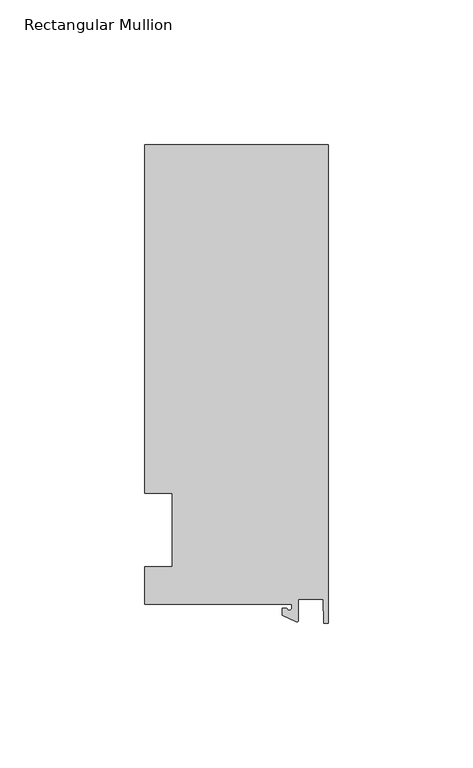
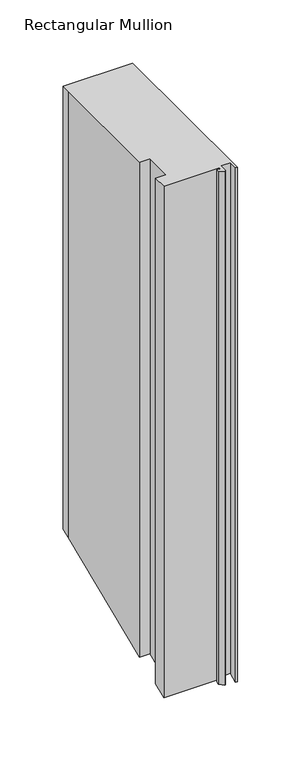
"""IFC4 building model written with IfcOpenShell, lengths in millimetres: member geometry, Rectangular Mullion."""

from ifc_helpers import new_model, si_unit, frame, origin, place, context, project, spatial, polyline, circle_curve, ellipse_curve, source, transform, mapped, element, save
from ifc_brep_helpers import plane_surface, cylinder_surface, revolved_surface, advanced_brep


def rectangular_mullion_d342a767(model_context):
    return source(origin(), model_context, "Body", "AdvancedBrep", [
        advanced_brep(
        [(-12.6173814, -25.796875, 0.0), (-12.6173814, -27.0827507, 0.0), (-14.2048814, -27.0827507, 0.0), (-15.7923814, -27.0827507, 0.0), (-15.7923814, -29.44495, 0.0), (-10.9524715, -31.7018371, 0.0), (-10.2297814, -31.2414327, 0.0), (-10.2297814, -23.9227662, 0.0), (-1.7144124, -23.9227662, 0.0), (-1.5658966, -32.288874, 0.0), (0.0, -32.288874, 0.0), (0.0, 133.34365, 0.0), (-63.5, 133.34365, 0.0), (-63.5, 125.8114907, 0.0), (-63.5, 12.7, 0.0), (-53.975, 12.7, 0.0), (-53.975, -12.7, 0.0), (-63.5, -12.7, 0.0), (-63.5, -25.796875, 0.0), (-12.6173814, -25.796875, -493.2854155), (-12.6173814, -27.0827507, -493.8180426), (-14.2048814, -27.0827507, -493.8180426), (-15.7923814, -27.0827507, -493.8180426), (-15.7923814, -29.44495, -494.7964976), (-10.9524715, -31.7018371, -495.7313309), (-10.2297814, -31.2414327, -495.5406251), (-10.2297814, -23.9227662, -492.5091342), (-1.7144124, -23.9227662, -492.5091342), (-1.5658966, -32.288874, -495.9744895), (0.0, -32.288874, -495.9744895), (0.0, 133.34365, -427.3672517), (-63.5, 133.34365, -427.3672517), (-63.5, 125.8114907, -430.4871743), (-63.5, 12.7, -477.3394878), (-53.975, 12.7, -477.3394878), (-53.975, -12.7, -487.8605122), (-63.5, -12.7, -487.8605122), (-63.5, -25.796875, -493.2854155)],
        [
            (0, 1),
            (1, 2, circle_curve(frame((-13.4111314, -27.0827507, 0.0), z_axis=(0.0, 0.0, -1.0), x_axis=(-1.0, 0.0, 0.0)), 0.79375)),
            (2, 3),
            (3, 4),
            (4, 5),
            (5, 6, circle_curve(frame((-10.7377814, -31.2414327, 0.0), z_axis=(0.0, 0.0, 1.0), x_axis=(-1.0, 0.0, 0.0)), 0.508)),
            (6, 7),
            (7, 8),
            (8, 9),
            (9, 10),
            (10, 11),
            (11, 12),
            (12, 13),
            (13, 14),
            (14, 15),
            (15, 16),
            (16, 17),
            (17, 18),
            (18, 0),
            (0, 19),
            (19, 20),
            (20, 1),
            (20, 21, ellipse_curve(frame((-13.4111314, -27.0827507, -493.8180426), z_axis=(0.0, 0.38268343236508895, -0.9238795325112871), x_axis=(0.0, -0.923879532511287, -0.3826834323650889)), 0.8591488, 0.79375)),
            (21, 2),
            (21, 22),
            (22, 3),
            (22, 23),
            (23, 4),
            (23, 24),
            (24, 5),
            (24, 25, ellipse_curve(frame((-10.7377814, -31.2414327, -495.5406251), z_axis=(0.0, -0.38268343236508895, 0.9238795325112871), x_axis=(0.0, 0.923879532511287, 0.3826834323650889)), 0.5498552, 0.508)),
            (25, 6),
            (25, 26),
            (26, 7),
            (26, 27),
            (27, 8),
            (27, 28),
            (28, 9),
            (28, 29),
            (29, 10),
            (29, 30),
            (30, 11),
            (30, 31),
            (31, 12),
            (31, 32),
            (32, 13),
            (32, 33),
            (33, 14),
            (33, 34),
            (34, 15),
            (34, 35),
            (35, 16),
            (35, 36),
            (36, 17),
            (36, 37),
            (37, 18),
            (37, 19),
        ],
        [
            plane_surface(frame((0.0, -147.6914994, 0.0), z_axis=(0.0, 0.0, 1.0), x_axis=(-1.0, 0.0, 0.0))),
            plane_surface(frame((-12.6173814, -25.796875, 0.0), z_axis=(-1.0, 0.0, 0.0), x_axis=(0.0, 0.0, -1.0))),
            revolved_surface(polyline([(-14.2048814, -27.0827507, -494.14682461169633), (-14.2048814, -27.0827507, 0.0)]), (-13.4111314, -27.0827507, 0.0), (0.0, 0.0, -1.0)),
            plane_surface(frame((-14.2048814, -27.0827507, 0.0), z_axis=(0.0, 1.0, 0.0), x_axis=(0.0, 0.0, -1.0))),
            plane_surface(frame((-15.7923814, -27.0827507, 0.0), z_axis=(-1.0, 0.0, 0.0), x_axis=(0.0, 0.0, -1.0))),
            plane_surface(frame((-15.7923814, -29.44495, 0.0), z_axis=(-0.4226182617406985, -0.9063077870366505, 0.0), x_axis=(0.0, 0.0, -1.0))),
            cylinder_surface(frame((-10.7377814, -31.2414327, 0.0), z_axis=(0.0, 0.0, 1.0), x_axis=(-1.0, 0.0, 0.0)), 0.508),
            plane_surface(frame((-10.2297814, -31.2414327, 0.0), z_axis=(1.0, 0.0, 0.0), x_axis=(0.0, 0.0, -1.0))),
            plane_surface(frame((-10.2297814, -23.9227662, 0.0), z_axis=(0.0, -1.0, 0.0), x_axis=(0.0, 0.0, -1.0))),
            plane_surface(frame((-1.7144124, -23.9227662, 0.0), z_axis=(-0.9998424690407919, -0.017749284560600327, 0.0), x_axis=(0.0, 0.0, -1.0))),
            plane_surface(frame((-1.5658966, -32.288874, 0.0), z_axis=(0.0, -1.0, 0.0), x_axis=(0.0, 0.0, -1.0))),
            plane_surface(frame((0.0, -32.288874, 0.0), z_axis=(1.0, 0.0, 0.0), x_axis=(0.0, 0.0, -1.0))),
            plane_surface(frame((0.0, 133.34365, 0.0), z_axis=(0.0, 1.0, 0.0), x_axis=(0.0, 0.0, -1.0))),
            plane_surface(frame((-63.5, 133.34365, 0.0), z_axis=(-1.0, 0.0, 0.0), x_axis=(0.0, 0.0, -1.0))),
            plane_surface(frame((-63.5, 125.8114907, 0.0), z_axis=(-1.0, 0.0, 0.0), x_axis=(0.0, 0.0, -1.0))),
            plane_surface(frame((-63.5, 12.7, 0.0), z_axis=(0.0, -1.0, 0.0), x_axis=(0.0, 0.0, -1.0))),
            plane_surface(frame((-53.975, 12.7, 0.0), z_axis=(-1.0, 0.0, 0.0), x_axis=(0.0, 0.0, -1.0))),
            plane_surface(frame((-53.975, -12.7, 0.0), z_axis=(0.0, 1.0, 0.0), x_axis=(0.0, 0.0, -1.0))),
            plane_surface(frame((-63.5, -12.7, 0.0), z_axis=(-1.0, 0.0, 0.0), x_axis=(0.0, 0.0, -1.0))),
            plane_surface(frame((-63.5, -25.796875, 0.0), z_axis=(0.0, -1.0, 0.0), x_axis=(0.0, 0.0, -1.0))),
            plane_surface(frame((-304.8, 0.0, -482.6), z_axis=(0.0, 0.38268343236508895, -0.9238795325112871), x_axis=(0.0, 0.9238795325112871, 0.38268343236508895))),
        ],
        [
            (0, [[1, 2, 3, 4, 5, 6, 7, 8, 9, 10, 11, 12, 13, 14, 15, 16, 17, 18, 19]]),
            (1, [[-1, 20, 21, 22]]),
            (2, [[-2, -22, 23, 24]]),
            (3, [[-3, -24, 25, 26]]),
            (4, [[-4, -26, 27, 28]]),
            (5, [[-5, -28, 29, 30]]),
            (6, [[-6, -30, 31, 32]]),
            (7, [[-7, -32, 33, 34]]),
            (8, [[-8, -34, 35, 36]]),
            (9, [[-9, -36, 37, 38]]),
            (10, [[-10, -38, 39, 40]]),
            (11, [[-11, -40, 41, 42]]),
            (12, [[-12, -42, 43, 44]]),
            (13, [[-13, -44, 45, 46]]),
            (14, [[-14, -46, 47, 48]]),
            (15, [[-15, -48, 49, 50]]),
            (16, [[-16, -50, 51, 52]]),
            (17, [[-17, -52, 53, 54]]),
            (18, [[-18, -54, 55, 56]]),
            (19, [[-19, -56, 57, -20]]),
            (20, [[-57, -55, -53, -51, -49, -47, -45, -43, -41, -39, -37, -35, -33, -31, -29, -27, -25, -23, -21]]),
        ],
    ),
    ])


if __name__ == "__main__":
    model = new_model("IFC4")
    model_context = context("Model", 3, world=origin())
    ifc_project = project(units=[si_unit("LENGTHUNIT", "METRE", prefix="MILLI")], contexts=[model_context])
    site = spatial("IfcSite", under=ifc_project)
    building = spatial("IfcBuilding", under=site)
    placement = place(None, origin())
    rectangular_mullion_shape = rectangular_mullion_d342a767(model_context)
    element("IfcMember", 1, ObjectType="Rectangular Mullion", at=placement, inside=building, context=model_context, shape_type="MappedRepresentation", body=[
        mapped(rectangular_mullion_shape, transform((0.0, 0.0, 0.0), x_axis=(1.0, 0.0, 0.0), y_axis=(0.0, 1.0, 0.0), z_axis=(0.0, 0.0, 1.0))),
    ])
    save(model, "model.ifc")
